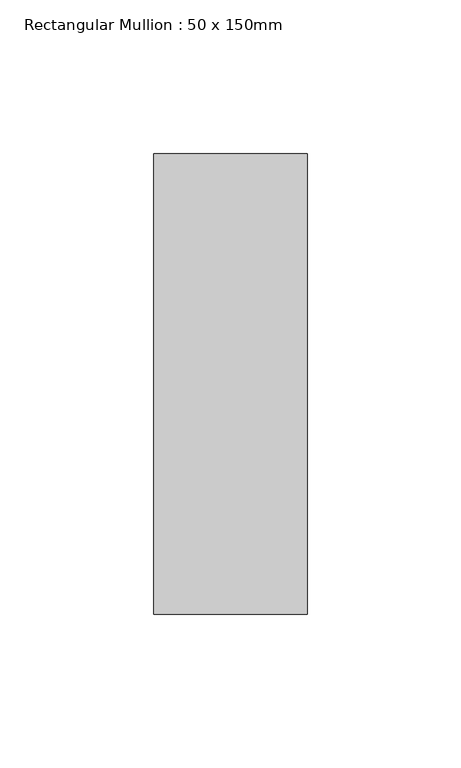
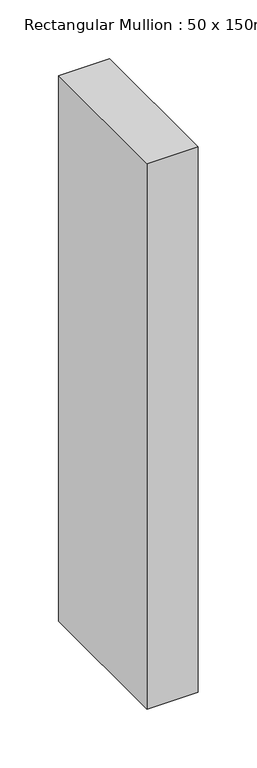
"""IFC4 building model written with IfcOpenShell, lengths in millimetres: member geometry, Rectangular Mullion : 50 x 150mm."""

from ifc_helpers import new_model, si_unit, frame, origin, place, context, project, spatial, polyline, outline, extrude, source, transform, mapped, element, save


def rectangular_mullion_50_x_150mm_7232506a(model_context):
    return source(origin(), model_context, "Body", "SweptSolid", [
        extrude(outline(polyline([(25.0, 75.0), (25.0, -75.0), (-25.0, -75.0), (-25.0, 75.0), (25.0, 75.0)])), frame((0.0, 0.0, -565.5), z_axis=(0.0, 0.0, 1.0), x_axis=(1.0, 0.0, 0.0)), (0.0, 0.0, 1.0), 565.5),
    ])


if __name__ == "__main__":
    model = new_model("IFC4")
    model_context = context("Model", 3, world=origin())
    ifc_project = project(units=[si_unit("LENGTHUNIT", "METRE", prefix="MILLI")], contexts=[model_context])
    site = spatial("IfcSite", under=ifc_project)
    building = spatial("IfcBuilding", under=site)
    placement = place(None, origin())
    rectangular_mullion_50_x_150mm_shape = rectangular_mullion_50_x_150mm_7232506a(model_context)
    element("IfcMember", 1, ObjectType="Rectangular Mullion : 50 x 150mm", at=placement, inside=building, context=model_context, shape_type="MappedRepresentation", body=[
        mapped(rectangular_mullion_50_x_150mm_shape, transform((0.0, 0.0, 0.0), x_axis=(1.0, 0.0, 0.0), y_axis=(0.0, 1.0, 0.0), z_axis=(0.0, 0.0, 1.0))),
    ])
    save(model, "model.ifc")
